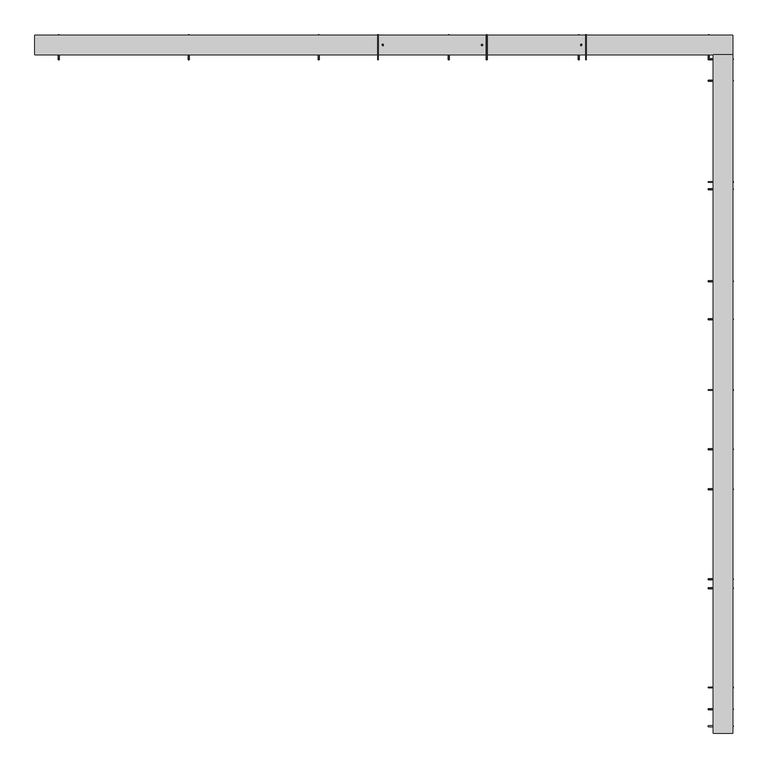
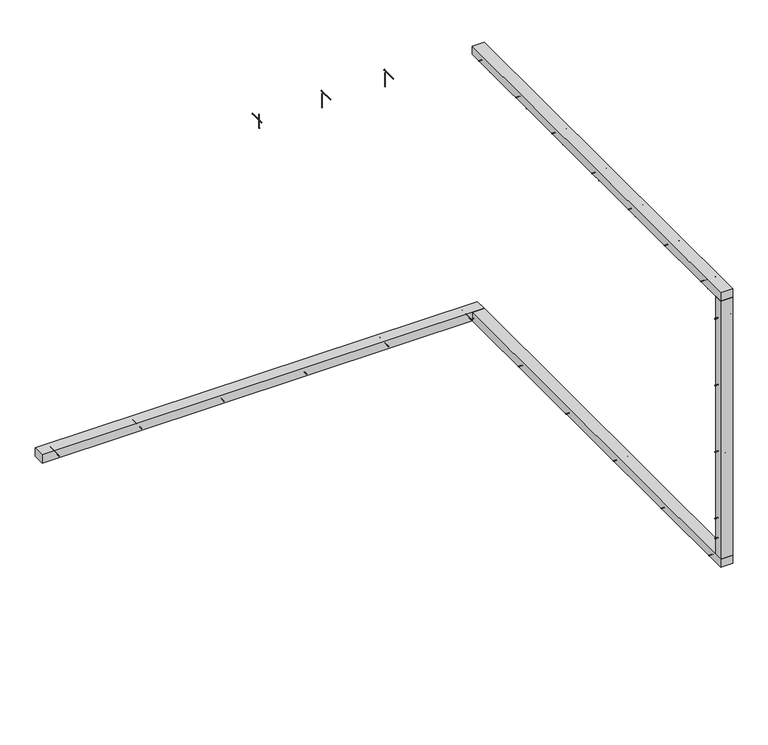
"""IFC4 building model written with IfcOpenShell, lengths in millimetres: proxy geometry."""

from ifc_helpers import new_model, si_unit, point, frame, frame_2d, origin, origin_with_axes, place, context, project, spatial, polyline, circle_curve, trimmed, segment, composite_curve, outline, extrude, source, transform, mapped, element, save


def generic_models_8bec0766(model_context):
    return source(origin(), model_context, "Body", "SweptSolid", [
        extrude(outline(composite_curve([segment(trimmed(circle_curve(frame_2d((-690.0, 42.5)), 2.4700592), [point((-690.0, 44.9700592))], [point((-690.0, 40.0299408))], False, "CARTESIAN"), True, "CONTINUOUS"), segment(trimmed(circle_curve(frame_2d((-690.0, 42.5)), 2.4700592), [point((-690.0, 40.0299408))], [point((-690.0, 44.9700592))], False, "CARTESIAN"), True, "CONTINUOUS")], self_intersect=False)), frame((2220.5, 0.0, 0.0), z_axis=(1.0, 0.0, 0.0), x_axis=(0.0, 1.0, 0.0)), (0.0, 0.0, 1.0), 152.0),
        extrude(outline(composite_curve([segment(trimmed(circle_curve(frame_2d((-690.0, 42.5)), 3.8), [point((-690.0, 46.3))], [point((-690.0, 38.7))], False, "CARTESIAN"), True, "CONTINUOUS"), segment(trimmed(circle_curve(frame_2d((-690.0, 42.5)), 3.8), [point((-690.0, 38.7))], [point((-690.0, 46.3))], False, "CARTESIAN"), True, "CONTINUOUS")], self_intersect=False)), frame((2372.5, 0.0, 0.0), z_axis=(1.0, 0.0, 0.0), x_axis=(0.0, 1.0, 0.0)), (0.0, 0.0, 1.0), 3.0),
        extrude(outline(composite_curve([segment(trimmed(circle_curve(frame_2d((-1505.0, 42.5)), 2.4700592), [point((-1505.0, 44.9700592))], [point((-1505.0, 40.0299408))], False, "CARTESIAN"), True, "CONTINUOUS"), segment(trimmed(circle_curve(frame_2d((-1505.0, 42.5)), 2.4700592), [point((-1505.0, 40.0299408))], [point((-1505.0, 44.9700592))], False, "CARTESIAN"), True, "CONTINUOUS")], self_intersect=False)), frame((2220.5, 0.0, 0.0), z_axis=(1.0, 0.0, 0.0), x_axis=(0.0, 1.0, 0.0)), (0.0, 0.0, 1.0), 152.0),
        extrude(outline(composite_curve([segment(trimmed(circle_curve(frame_2d((-1505.0, 42.5)), 3.8), [point((-1505.0, 46.3))], [point((-1505.0, 38.7))], False, "CARTESIAN"), True, "CONTINUOUS"), segment(trimmed(circle_curve(frame_2d((-1505.0, 42.5)), 3.8), [point((-1505.0, 38.7))], [point((-1505.0, 46.3))], False, "CARTESIAN"), True, "CONTINUOUS")], self_intersect=False)), frame((2372.5, 0.0, 0.0), z_axis=(1.0, 0.0, 0.0), x_axis=(0.0, 1.0, 0.0)), (0.0, 0.0, 1.0), 3.0),
        extrude(outline(composite_curve([segment(trimmed(circle_curve(frame_2d((-2320.0, 42.5)), 2.4700592), [point((-2320.0, 44.9700592))], [point((-2320.0, 40.0299408))], False, "CARTESIAN"), True, "CONTINUOUS"), segment(trimmed(circle_curve(frame_2d((-2320.0, 42.5)), 2.4700592), [point((-2320.0, 40.0299408))], [point((-2320.0, 44.9700592))], False, "CARTESIAN"), True, "CONTINUOUS")], self_intersect=False)), frame((2220.5, 0.0, 0.0), z_axis=(1.0, 0.0, 0.0), x_axis=(0.0, 1.0, 0.0)), (0.0, 0.0, 1.0), 152.0),
        extrude(outline(composite_curve([segment(trimmed(circle_curve(frame_2d((-2320.0, 42.5)), 3.8), [point((-2320.0, 46.3))], [point((-2320.0, 38.7))], False, "CARTESIAN"), True, "CONTINUOUS"), segment(trimmed(circle_curve(frame_2d((-2320.0, 42.5)), 3.8), [point((-2320.0, 38.7))], [point((-2320.0, 46.3))], False, "CARTESIAN"), True, "CONTINUOUS")], self_intersect=False)), frame((2372.5, 0.0, 0.0), z_axis=(1.0, 0.0, 0.0), x_axis=(0.0, 1.0, 0.0)), (0.0, 0.0, 1.0), 3.0),
        extrude(outline(composite_curve([segment(trimmed(circle_curve(frame_2d((-3135.0, 42.5)), 2.4700592), [point((-3135.0, 44.9700592))], [point((-3135.0, 40.0299408))], False, "CARTESIAN"), True, "CONTINUOUS"), segment(trimmed(circle_curve(frame_2d((-3135.0, 42.5)), 2.4700592), [point((-3135.0, 40.0299408))], [point((-3135.0, 44.9700592))], False, "CARTESIAN"), True, "CONTINUOUS")], self_intersect=False)), frame((2220.5, 0.0, 0.0), z_axis=(1.0, 0.0, 0.0), x_axis=(0.0, 1.0, 0.0)), (0.0, 0.0, 1.0), 152.0),
        extrude(outline(composite_curve([segment(trimmed(circle_curve(frame_2d((-3135.0, 42.5)), 3.8), [point((-3135.0, 46.3))], [point((-3135.0, 38.7))], False, "CARTESIAN"), True, "CONTINUOUS"), segment(trimmed(circle_curve(frame_2d((-3135.0, 42.5)), 3.8), [point((-3135.0, 38.7))], [point((-3135.0, 46.3))], False, "CARTESIAN"), True, "CONTINUOUS")], self_intersect=False)), frame((2372.5, 0.0, 0.0), z_axis=(1.0, 0.0, 0.0), x_axis=(0.0, 1.0, 0.0)), (0.0, 0.0, 1.0), 3.0),
        extrude(outline(composite_curve([segment(trimmed(circle_curve(frame_2d((125.0, 42.5)), 2.4700592), [point((125.0, 44.9700592))], [point((125.0, 40.0299408))], False, "CARTESIAN"), True, "CONTINUOUS"), segment(trimmed(circle_curve(frame_2d((125.0, 42.5)), 2.4700592), [point((125.0, 40.0299408))], [point((125.0, 44.9700592))], False, "CARTESIAN"), True, "CONTINUOUS")], self_intersect=False)), frame((2220.5, 0.0, 0.0), z_axis=(1.0, 0.0, 0.0), x_axis=(0.0, 1.0, 0.0)), (0.0, 0.0, 1.0), 152.0),
        extrude(outline(composite_curve([segment(trimmed(circle_curve(frame_2d((125.0, 42.5)), 3.8), [point((125.0, 46.3))], [point((125.0, 38.7))], False, "CARTESIAN"), True, "CONTINUOUS"), segment(trimmed(circle_curve(frame_2d((125.0, 42.5)), 3.8), [point((125.0, 38.7))], [point((125.0, 46.3))], False, "CARTESIAN"), True, "CONTINUOUS")], self_intersect=False)), frame((2372.5, 0.0, 0.0), z_axis=(1.0, 0.0, 0.0), x_axis=(0.0, 1.0, 0.0)), (0.0, 0.0, 1.0), 3.0),
        extrude(outline(composite_curve([segment(trimmed(circle_curve(frame_2d((-3950.0, 42.5)), 2.4700592), [point((-3950.0, 44.9700592))], [point((-3950.0, 40.0299408))], False, "CARTESIAN"), True, "CONTINUOUS"), segment(trimmed(circle_curve(frame_2d((-3950.0, 42.5)), 2.4700592), [point((-3950.0, 40.0299408))], [point((-3950.0, 44.9700592))], False, "CARTESIAN"), True, "CONTINUOUS")], self_intersect=False)), frame((2220.5, 0.0, 0.0), z_axis=(1.0, 0.0, 0.0), x_axis=(0.0, 1.0, 0.0)), (0.0, 0.0, 1.0), 152.0),
        extrude(outline(composite_curve([segment(trimmed(circle_curve(frame_2d((-3950.0, 42.5)), 3.8), [point((-3950.0, 46.3))], [point((-3950.0, 38.7))], False, "CARTESIAN"), True, "CONTINUOUS"), segment(trimmed(circle_curve(frame_2d((-3950.0, 42.5)), 3.8), [point((-3950.0, 38.7))], [point((-3950.0, 46.3))], False, "CARTESIAN"), True, "CONTINUOUS")], self_intersect=False)), frame((2372.5, 0.0, 0.0), z_axis=(1.0, 0.0, 0.0), x_axis=(0.0, 1.0, 0.0)), (0.0, 0.0, 1.0), 3.0),
        extrude(outline(polyline([(2252.5, 155.0), (2372.5, 155.0), (2372.5, -4100.0), (2252.5, -4100.0), (2252.5, 155.0)])), origin_with_axes(), (0.0, 0.0, 1.0), 85.0),
        extrude(outline(composite_curve([segment(trimmed(circle_curve(frame_2d((-1266.3333333, 2827.5)), 2.4700592), [point((-1266.3333333, 2829.9700592))], [point((-1266.3333333, 2825.0299408))], False, "CARTESIAN"), True, "CONTINUOUS"), segment(trimmed(circle_curve(frame_2d((-1266.3333333, 2827.5)), 2.4700592), [point((-1266.3333333, 2825.0299408))], [point((-1266.3333333, 2829.9700592))], False, "CARTESIAN"), True, "CONTINUOUS")], self_intersect=False)), frame((2220.5, 0.0, 0.0), z_axis=(1.0, 0.0, 0.0), x_axis=(0.0, 1.0, 0.0)), (0.0, 0.0, 1.0), 152.0),
        extrude(outline(composite_curve([segment(trimmed(circle_curve(frame_2d((-1266.3333333, 2827.5)), 3.8), [point((-1266.3333333, 2831.3))], [point((-1266.3333333, 2823.7))], False, "CARTESIAN"), True, "CONTINUOUS"), segment(trimmed(circle_curve(frame_2d((-1266.3333333, 2827.5)), 3.8), [point((-1266.3333333, 2823.7))], [point((-1266.3333333, 2831.3))], False, "CARTESIAN"), True, "CONTINUOUS")], self_intersect=False)), frame((2372.5, 0.0, 0.0), z_axis=(1.0, 0.0, 0.0), x_axis=(0.0, 1.0, 0.0)), (0.0, 0.0, 1.0), 3.0),
        extrude(outline(composite_curve([segment(trimmed(circle_curve(frame_2d((2312.5, -1296.3333333)), 2.4700592), [point((2310.0299408, -1296.3333333))], [point((2314.9700592, -1296.3333333))], False, "CARTESIAN"), True, "CONTINUOUS"), segment(trimmed(circle_curve(frame_2d((2312.5, -1296.3333333)), 2.4700592), [point((2314.9700592, -1296.3333333))], [point((2310.0299408, -1296.3333333))], False, "CARTESIAN"), True, "CONTINUOUS")], self_intersect=False)), frame((0.0, 0.0, 2705.0), z_axis=(0.0, 0.0, 1.0), x_axis=(1.0, 0.0, 0.0)), (0.0, 0.0, 1.0), 140.0),
        extrude(outline(composite_curve([segment(trimmed(circle_curve(frame_2d((2312.5, -1296.3333333)), 3.8), [point((2308.7, -1296.3333333))], [point((2316.3, -1296.3333333))], False, "CARTESIAN"), True, "CONTINUOUS"), segment(trimmed(circle_curve(frame_2d((2312.5, -1296.3333333)), 3.8), [point((2316.3, -1296.3333333))], [point((2308.7, -1296.3333333))], False, "CARTESIAN"), True, "CONTINUOUS")], self_intersect=False)), frame((0.0, 0.0, 2702.0), z_axis=(0.0, 0.0, 1.0), x_axis=(1.0, 0.0, 0.0)), (0.0, 0.0, 1.0), 3.0),
        extrude(outline(composite_curve([segment(trimmed(circle_curve(frame_2d((-1948.5, 2827.5)), 2.4700592), [point((-1948.5, 2829.9700592))], [point((-1948.5, 2825.0299408))], False, "CARTESIAN"), True, "CONTINUOUS"), segment(trimmed(circle_curve(frame_2d((-1948.5, 2827.5)), 2.4700592), [point((-1948.5, 2825.0299408))], [point((-1948.5, 2829.9700592))], False, "CARTESIAN"), True, "CONTINUOUS")], self_intersect=False)), frame((2220.5, 0.0, 0.0), z_axis=(1.0, 0.0, 0.0), x_axis=(0.0, 1.0, 0.0)), (0.0, 0.0, 1.0), 152.0),
        extrude(outline(composite_curve([segment(trimmed(circle_curve(frame_2d((-1948.5, 2827.5)), 3.8), [point((-1948.5, 2831.3))], [point((-1948.5, 2823.7))], False, "CARTESIAN"), True, "CONTINUOUS"), segment(trimmed(circle_curve(frame_2d((-1948.5, 2827.5)), 3.8), [point((-1948.5, 2823.7))], [point((-1948.5, 2831.3))], False, "CARTESIAN"), True, "CONTINUOUS")], self_intersect=False)), frame((2372.5, 0.0, 0.0), z_axis=(1.0, 0.0, 0.0), x_axis=(0.0, 1.0, 0.0)), (0.0, 0.0, 1.0), 3.0),
        extrude(outline(composite_curve([segment(trimmed(circle_curve(frame_2d((2312.5, -1918.5)), 2.4700592), [point((2310.0299408, -1918.5))], [point((2314.9700592, -1918.5))], False, "CARTESIAN"), True, "CONTINUOUS"), segment(trimmed(circle_curve(frame_2d((2312.5, -1918.5)), 2.4700592), [point((2314.9700592, -1918.5))], [point((2310.0299408, -1918.5))], False, "CARTESIAN"), True, "CONTINUOUS")], self_intersect=False)), frame((0.0, 0.0, 2705.0), z_axis=(0.0, 0.0, 1.0), x_axis=(1.0, 0.0, 0.0)), (0.0, 0.0, 1.0), 140.0),
        extrude(outline(composite_curve([segment(trimmed(circle_curve(frame_2d((2312.5, -1918.5)), 3.8), [point((2308.7, -1918.5))], [point((2316.3, -1918.5))], False, "CARTESIAN"), True, "CONTINUOUS"), segment(trimmed(circle_curve(frame_2d((2312.5, -1918.5)), 3.8), [point((2316.3, -1918.5))], [point((2308.7, -1918.5))], False, "CARTESIAN"), True, "CONTINUOUS")], self_intersect=False)), frame((0.0, 0.0, 2702.0), z_axis=(0.0, 0.0, 1.0), x_axis=(1.0, 0.0, 0.0)), (0.0, 0.0, 1.0), 3.0),
        extrude(outline(composite_curve([segment(trimmed(circle_curve(frame_2d((-644.1666667, 2827.5)), 2.4700592), [point((-644.1666667, 2829.9700592))], [point((-644.1666667, 2825.0299408))], False, "CARTESIAN"), True, "CONTINUOUS"), segment(trimmed(circle_curve(frame_2d((-644.1666667, 2827.5)), 2.4700592), [point((-644.1666667, 2825.0299408))], [point((-644.1666667, 2829.9700592))], False, "CARTESIAN"), True, "CONTINUOUS")], self_intersect=False)), frame((2220.5, 0.0, 0.0), z_axis=(1.0, 0.0, 0.0), x_axis=(0.0, 1.0, 0.0)), (0.0, 0.0, 1.0), 152.0),
        extrude(outline(composite_curve([segment(trimmed(circle_curve(frame_2d((-644.1666667, 2827.5)), 3.8), [point((-644.1666667, 2831.3))], [point((-644.1666667, 2823.7))], False, "CARTESIAN"), True, "CONTINUOUS"), segment(trimmed(circle_curve(frame_2d((-644.1666667, 2827.5)), 3.8), [point((-644.1666667, 2823.7))], [point((-644.1666667, 2831.3))], False, "CARTESIAN"), True, "CONTINUOUS")], self_intersect=False)), frame((2372.5, 0.0, 0.0), z_axis=(1.0, 0.0, 0.0), x_axis=(0.0, 1.0, 0.0)), (0.0, 0.0, 1.0), 3.0),
        extrude(outline(composite_curve([segment(trimmed(circle_curve(frame_2d((2312.5, -674.1666667)), 2.4700592), [point((2310.0299408, -674.1666667))], [point((2314.9700592, -674.1666667))], False, "CARTESIAN"), True, "CONTINUOUS"), segment(trimmed(circle_curve(frame_2d((2312.5, -674.1666667)), 2.4700592), [point((2314.9700592, -674.1666667))], [point((2310.0299408, -674.1666667))], False, "CARTESIAN"), True, "CONTINUOUS")], self_intersect=False)), frame((0.0, 0.0, 2705.0), z_axis=(0.0, 0.0, 1.0), x_axis=(1.0, 0.0, 0.0)), (0.0, 0.0, 1.0), 140.0),
        extrude(outline(composite_curve([segment(trimmed(circle_curve(frame_2d((2312.5, -674.1666667)), 3.8), [point((2308.7, -674.1666667))], [point((2316.3, -674.1666667))], False, "CARTESIAN"), True, "CONTINUOUS"), segment(trimmed(circle_curve(frame_2d((2312.5, -674.1666667)), 3.8), [point((2316.3, -674.1666667))], [point((2308.7, -674.1666667))], False, "CARTESIAN"), True, "CONTINUOUS")], self_intersect=False)), frame((0.0, 0.0, 2702.0), z_axis=(0.0, 0.0, 1.0), x_axis=(1.0, 0.0, 0.0)), (0.0, 0.0, 1.0), 3.0),
        extrude(outline(composite_curve([segment(trimmed(circle_curve(frame_2d((-2570.6666667, 2827.5)), 2.4700592), [point((-2570.6666667, 2829.9700592))], [point((-2570.6666667, 2825.0299408))], False, "CARTESIAN"), True, "CONTINUOUS"), segment(trimmed(circle_curve(frame_2d((-2570.6666667, 2827.5)), 2.4700592), [point((-2570.6666667, 2825.0299408))], [point((-2570.6666667, 2829.9700592))], False, "CARTESIAN"), True, "CONTINUOUS")], self_intersect=False)), frame((2220.5, 0.0, 0.0), z_axis=(1.0, 0.0, 0.0), x_axis=(0.0, 1.0, 0.0)), (0.0, 0.0, 1.0), 152.0),
        extrude(outline(composite_curve([segment(trimmed(circle_curve(frame_2d((-2570.6666667, 2827.5)), 3.8), [point((-2570.6666667, 2831.3))], [point((-2570.6666667, 2823.7))], False, "CARTESIAN"), True, "CONTINUOUS"), segment(trimmed(circle_curve(frame_2d((-2570.6666667, 2827.5)), 3.8), [point((-2570.6666667, 2823.7))], [point((-2570.6666667, 2831.3))], False, "CARTESIAN"), True, "CONTINUOUS")], self_intersect=False)), frame((2372.5, 0.0, 0.0), z_axis=(1.0, 0.0, 0.0), x_axis=(0.0, 1.0, 0.0)), (0.0, 0.0, 1.0), 3.0),
        extrude(outline(composite_curve([segment(trimmed(circle_curve(frame_2d((2312.5, -2540.6666667)), 2.4700592), [point((2310.0299408, -2540.6666667))], [point((2314.9700592, -2540.6666667))], False, "CARTESIAN"), True, "CONTINUOUS"), segment(trimmed(circle_curve(frame_2d((2312.5, -2540.6666667)), 2.4700592), [point((2314.9700592, -2540.6666667))], [point((2310.0299408, -2540.6666667))], False, "CARTESIAN"), True, "CONTINUOUS")], self_intersect=False)), frame((0.0, 0.0, 2705.0), z_axis=(0.0, 0.0, 1.0), x_axis=(1.0, 0.0, 0.0)), (0.0, 0.0, 1.0), 140.0),
        extrude(outline(composite_curve([segment(trimmed(circle_curve(frame_2d((2312.5, -2540.6666667)), 3.8), [point((2308.7, -2540.6666667))], [point((2316.3, -2540.6666667))], False, "CARTESIAN"), True, "CONTINUOUS"), segment(trimmed(circle_curve(frame_2d((2312.5, -2540.6666667)), 3.8), [point((2316.3, -2540.6666667))], [point((2308.7, -2540.6666667))], False, "CARTESIAN"), True, "CONTINUOUS")], self_intersect=False)), frame((0.0, 0.0, 2702.0), z_axis=(0.0, 0.0, 1.0), x_axis=(1.0, 0.0, 0.0)), (0.0, 0.0, 1.0), 3.0),
        extrude(outline(composite_curve([segment(trimmed(circle_curve(frame_2d((-3192.8333333, 2827.5)), 2.4700592), [point((-3192.8333333, 2829.9700592))], [point((-3192.8333333, 2825.0299408))], False, "CARTESIAN"), True, "CONTINUOUS"), segment(trimmed(circle_curve(frame_2d((-3192.8333333, 2827.5)), 2.4700592), [point((-3192.8333333, 2825.0299408))], [point((-3192.8333333, 2829.9700592))], False, "CARTESIAN"), True, "CONTINUOUS")], self_intersect=False)), frame((2220.5, 0.0, 0.0), z_axis=(1.0, 0.0, 0.0), x_axis=(0.0, 1.0, 0.0)), (0.0, 0.0, 1.0), 152.0),
        extrude(outline(composite_curve([segment(trimmed(circle_curve(frame_2d((-3192.8333333, 2827.5)), 3.8), [point((-3192.8333333, 2831.3))], [point((-3192.8333333, 2823.7))], False, "CARTESIAN"), True, "CONTINUOUS"), segment(trimmed(circle_curve(frame_2d((-3192.8333333, 2827.5)), 3.8), [point((-3192.8333333, 2823.7))], [point((-3192.8333333, 2831.3))], False, "CARTESIAN"), True, "CONTINUOUS")], self_intersect=False)), frame((2372.5, 0.0, 0.0), z_axis=(1.0, 0.0, 0.0), x_axis=(0.0, 1.0, 0.0)), (0.0, 0.0, 1.0), 3.0),
        extrude(outline(composite_curve([segment(trimmed(circle_curve(frame_2d((2312.5, -3162.8333333)), 2.4700592), [point((2310.0299408, -3162.8333333))], [point((2314.9700592, -3162.8333333))], False, "CARTESIAN"), True, "CONTINUOUS"), segment(trimmed(circle_curve(frame_2d((2312.5, -3162.8333333)), 2.4700592), [point((2314.9700592, -3162.8333333))], [point((2310.0299408, -3162.8333333))], False, "CARTESIAN"), True, "CONTINUOUS")], self_intersect=False)), frame((0.0, 0.0, 2705.0), z_axis=(0.0, 0.0, 1.0), x_axis=(1.0, 0.0, 0.0)), (0.0, 0.0, 1.0), 140.0),
        extrude(outline(composite_curve([segment(trimmed(circle_curve(frame_2d((2312.5, -3162.8333333)), 3.8), [point((2308.7, -3162.8333333))], [point((2316.3, -3162.8333333))], False, "CARTESIAN"), True, "CONTINUOUS"), segment(trimmed(circle_curve(frame_2d((2312.5, -3162.8333333)), 3.8), [point((2316.3, -3162.8333333))], [point((2308.7, -3162.8333333))], False, "CARTESIAN"), True, "CONTINUOUS")], self_intersect=False)), frame((0.0, 0.0, 2702.0), z_axis=(0.0, 0.0, 1.0), x_axis=(1.0, 0.0, 0.0)), (0.0, 0.0, 1.0), 3.0),
        extrude(outline(composite_curve([segment(trimmed(circle_curve(frame_2d((2312.5, -52.0)), 2.4700592), [point((2310.0299408, -52.0))], [point((2314.9700592, -52.0))], False, "CARTESIAN"), True, "CONTINUOUS"), segment(trimmed(circle_curve(frame_2d((2312.5, -52.0)), 2.4700592), [point((2314.9700592, -52.0))], [point((2310.0299408, -52.0))], False, "CARTESIAN"), True, "CONTINUOUS")], self_intersect=False)), frame((0.0, 0.0, 2705.0), z_axis=(0.0, 0.0, 1.0), x_axis=(1.0, 0.0, 0.0)), (0.0, 0.0, 1.0), 140.0),
        extrude(outline(composite_curve([segment(trimmed(circle_curve(frame_2d((2312.5, -52.0)), 3.8), [point((2308.7, -52.0))], [point((2316.3, -52.0))], False, "CARTESIAN"), True, "CONTINUOUS"), segment(trimmed(circle_curve(frame_2d((2312.5, -52.0)), 3.8), [point((2316.3, -52.0))], [point((2308.7, -52.0))], False, "CARTESIAN"), True, "CONTINUOUS")], self_intersect=False)), frame((0.0, 0.0, 2702.0), z_axis=(0.0, 0.0, 1.0), x_axis=(1.0, 0.0, 0.0)), (0.0, 0.0, 1.0), 3.0),
        extrude(outline(composite_curve([segment(trimmed(circle_curve(frame_2d((2312.5, -3785.0)), 2.4700592), [point((2310.0299408, -3785.0))], [point((2314.9700592, -3785.0))], False, "CARTESIAN"), True, "CONTINUOUS"), segment(trimmed(circle_curve(frame_2d((2312.5, -3785.0)), 2.4700592), [point((2314.9700592, -3785.0))], [point((2310.0299408, -3785.0))], False, "CARTESIAN"), True, "CONTINUOUS")], self_intersect=False)), frame((0.0, 0.0, 2705.0), z_axis=(0.0, 0.0, 1.0), x_axis=(1.0, 0.0, 0.0)), (0.0, 0.0, 1.0), 140.0),
        extrude(outline(composite_curve([segment(trimmed(circle_curve(frame_2d((2312.5, -3785.0)), 3.8), [point((2308.7, -3785.0))], [point((2316.3, -3785.0))], False, "CARTESIAN"), True, "CONTINUOUS"), segment(trimmed(circle_curve(frame_2d((2312.5, -3785.0)), 3.8), [point((2316.3, -3785.0))], [point((2308.7, -3785.0))], False, "CARTESIAN"), True, "CONTINUOUS")], self_intersect=False)), frame((0.0, 0.0, 2702.0), z_axis=(0.0, 0.0, 1.0), x_axis=(1.0, 0.0, 0.0)), (0.0, 0.0, 1.0), 3.0),
        extrude(outline(composite_curve([segment(trimmed(circle_curve(frame_2d((-3815.0, 2827.5)), 2.4700592), [point((-3815.0, 2829.9700592))], [point((-3815.0, 2825.0299408))], False, "CARTESIAN"), True, "CONTINUOUS"), segment(trimmed(circle_curve(frame_2d((-3815.0, 2827.5)), 2.4700592), [point((-3815.0, 2825.0299408))], [point((-3815.0, 2829.9700592))], False, "CARTESIAN"), True, "CONTINUOUS")], self_intersect=False)), frame((2220.5, 0.0, 0.0), z_axis=(1.0, 0.0, 0.0), x_axis=(0.0, 1.0, 0.0)), (0.0, 0.0, 1.0), 152.0),
        extrude(outline(composite_curve([segment(trimmed(circle_curve(frame_2d((-3815.0, 2827.5)), 3.8), [point((-3815.0, 2831.3))], [point((-3815.0, 2823.7))], False, "CARTESIAN"), True, "CONTINUOUS"), segment(trimmed(circle_curve(frame_2d((-3815.0, 2827.5)), 3.8), [point((-3815.0, 2823.7))], [point((-3815.0, 2831.3))], False, "CARTESIAN"), True, "CONTINUOUS")], self_intersect=False)), frame((2372.5, 0.0, 0.0), z_axis=(1.0, 0.0, 0.0), x_axis=(0.0, 1.0, 0.0)), (0.0, 0.0, 1.0), 3.0),
        extrude(outline(composite_curve([segment(trimmed(circle_curve(frame_2d((-10.0, 2827.5)), 2.4700592), [point((-10.0, 2829.9700592))], [point((-10.0, 2825.0299408))], False, "CARTESIAN"), True, "CONTINUOUS"), segment(trimmed(circle_curve(frame_2d((-10.0, 2827.5)), 2.4700592), [point((-10.0, 2825.0299408))], [point((-10.0, 2829.9700592))], False, "CARTESIAN"), True, "CONTINUOUS")], self_intersect=False)), frame((2220.5, 0.0, 0.0), z_axis=(1.0, 0.0, 0.0), x_axis=(0.0, 1.0, 0.0)), (0.0, 0.0, 1.0), 152.0),
        extrude(outline(composite_curve([segment(trimmed(circle_curve(frame_2d((-10.0, 2827.5)), 3.8), [point((-10.0, 2831.3))], [point((-10.0, 2823.7))], False, "CARTESIAN"), True, "CONTINUOUS"), segment(trimmed(circle_curve(frame_2d((-10.0, 2827.5)), 3.8), [point((-10.0, 2823.7))], [point((-10.0, 2831.3))], False, "CARTESIAN"), True, "CONTINUOUS")], self_intersect=False)), frame((2372.5, 0.0, 0.0), z_axis=(1.0, 0.0, 0.0), x_axis=(0.0, 1.0, 0.0)), (0.0, 0.0, 1.0), 3.0),
        extrude(outline(polyline([(2252.5, 155.0), (2372.5, 155.0), (2372.5, -4100.0), (2252.5, -4100.0), (2252.5, 155.0)])), frame((0.0, 0.0, 2785.0), z_axis=(0.0, 0.0, 1.0), x_axis=(1.0, 0.0, 0.0)), (0.0, 0.0, 1.0), 85.0),
        extrude(outline(composite_curve([segment(trimmed(circle_curve(frame_2d((-4057.5, 495.0)), 2.4700592), [point((-4059.9700592, 495.0))], [point((-4055.0299408, 495.0))], False, "CARTESIAN"), True, "CONTINUOUS"), segment(trimmed(circle_curve(frame_2d((-4057.5, 495.0)), 2.4700592), [point((-4055.0299408, 495.0))], [point((-4059.9700592, 495.0))], False, "CARTESIAN"), True, "CONTINUOUS")], self_intersect=False)), frame((2220.5, 0.0, 0.0), z_axis=(1.0, 0.0, 0.0), x_axis=(0.0, 1.0, 0.0)), (0.0, 0.0, 1.0), 152.0),
        extrude(outline(composite_curve([segment(trimmed(circle_curve(frame_2d((-4057.5, 495.0)), 3.8), [point((-4061.3, 495.0))], [point((-4053.7, 495.0))], False, "CARTESIAN"), True, "CONTINUOUS"), segment(trimmed(circle_curve(frame_2d((-4057.5, 495.0)), 3.8), [point((-4053.7, 495.0))], [point((-4061.3, 495.0))], False, "CARTESIAN"), True, "CONTINUOUS")], self_intersect=False)), frame((2372.5, 0.0, 0.0), z_axis=(1.0, 0.0, 0.0), x_axis=(0.0, 1.0, 0.0)), (0.0, 0.0, 1.0), 3.0),
        extrude(outline(composite_curve([segment(trimmed(circle_curve(frame_2d((-4057.5, 1191.6666667)), 2.4700592), [point((-4059.9700592, 1191.6666667))], [point((-4055.0299408, 1191.6666667))], False, "CARTESIAN"), True, "CONTINUOUS"), segment(trimmed(circle_curve(frame_2d((-4057.5, 1191.6666667)), 2.4700592), [point((-4055.0299408, 1191.6666667))], [point((-4059.9700592, 1191.6666667))], False, "CARTESIAN"), True, "CONTINUOUS")], self_intersect=False)), frame((2220.5, 0.0, 0.0), z_axis=(1.0, 0.0, 0.0), x_axis=(0.0, 1.0, 0.0)), (0.0, 0.0, 1.0), 152.0),
        extrude(outline(composite_curve([segment(trimmed(circle_curve(frame_2d((-4057.5, 1191.6666667)), 3.8), [point((-4061.3, 1191.6666667))], [point((-4053.7, 1191.6666667))], False, "CARTESIAN"), True, "CONTINUOUS"), segment(trimmed(circle_curve(frame_2d((-4057.5, 1191.6666667)), 3.8), [point((-4053.7, 1191.6666667))], [point((-4061.3, 1191.6666667))], False, "CARTESIAN"), True, "CONTINUOUS")], self_intersect=False)), frame((2372.5, 0.0, 0.0), z_axis=(1.0, 0.0, 0.0), x_axis=(0.0, 1.0, 0.0)), (0.0, 0.0, 1.0), 3.0),
        extrude(outline(composite_curve([segment(trimmed(circle_curve(frame_2d((1161.6666667, 2312.5)), 2.4700592), [point((1161.6666667, 2310.0299408))], [point((1161.6666667, 2314.9700592))], False, "CARTESIAN"), True, "CONTINUOUS"), segment(trimmed(circle_curve(frame_2d((1161.6666667, 2312.5)), 2.4700592), [point((1161.6666667, 2314.9700592))], [point((1161.6666667, 2310.0299408))], False, "CARTESIAN"), True, "CONTINUOUS")], self_intersect=False)), frame((0.0, -4075.0, 0.0), z_axis=(0.0, 1.0, 0.0), x_axis=(0.0, 0.0, 1.0)), (0.0, 0.0, 1.0), 140.0),
        extrude(outline(composite_curve([segment(trimmed(circle_curve(frame_2d((1161.6666667, 2312.5)), 3.8), [point((1161.6666667, 2308.7))], [point((1161.6666667, 2316.3))], False, "CARTESIAN"), True, "CONTINUOUS"), segment(trimmed(circle_curve(frame_2d((1161.6666667, 2312.5)), 3.8), [point((1161.6666667, 2316.3))], [point((1161.6666667, 2308.7))], False, "CARTESIAN"), True, "CONTINUOUS")], self_intersect=False)), frame((0.0, -3935.0, 0.0), z_axis=(0.0, 1.0, 0.0), x_axis=(0.0, 0.0, 1.0)), (0.0, 0.0, 1.0), 3.0),
        extrude(outline(composite_curve([segment(trimmed(circle_curve(frame_2d((-4057.5, 1888.3333333)), 2.4700592), [point((-4059.9700592, 1888.3333333))], [point((-4055.0299408, 1888.3333333))], False, "CARTESIAN"), True, "CONTINUOUS"), segment(trimmed(circle_curve(frame_2d((-4057.5, 1888.3333333)), 2.4700592), [point((-4055.0299408, 1888.3333333))], [point((-4059.9700592, 1888.3333333))], False, "CARTESIAN"), True, "CONTINUOUS")], self_intersect=False)), frame((2220.5, 0.0, 0.0), z_axis=(1.0, 0.0, 0.0), x_axis=(0.0, 1.0, 0.0)), (0.0, 0.0, 1.0), 152.0),
        extrude(outline(composite_curve([segment(trimmed(circle_curve(frame_2d((-4057.5, 1888.3333333)), 3.8), [point((-4061.3, 1888.3333333))], [point((-4053.7, 1888.3333333))], False, "CARTESIAN"), True, "CONTINUOUS"), segment(trimmed(circle_curve(frame_2d((-4057.5, 1888.3333333)), 3.8), [point((-4053.7, 1888.3333333))], [point((-4061.3, 1888.3333333))], False, "CARTESIAN"), True, "CONTINUOUS")], self_intersect=False)), frame((2372.5, 0.0, 0.0), z_axis=(1.0, 0.0, 0.0), x_axis=(0.0, 1.0, 0.0)), (0.0, 0.0, 1.0), 3.0),
        extrude(outline(composite_curve([segment(trimmed(circle_curve(frame_2d((1858.3333333, 2312.5)), 2.4700592), [point((1858.3333333, 2310.0299408))], [point((1858.3333333, 2314.9700592))], False, "CARTESIAN"), True, "CONTINUOUS"), segment(trimmed(circle_curve(frame_2d((1858.3333333, 2312.5)), 2.4700592), [point((1858.3333333, 2314.9700592))], [point((1858.3333333, 2310.0299408))], False, "CARTESIAN"), True, "CONTINUOUS")], self_intersect=False)), frame((0.0, -4075.0, 0.0), z_axis=(0.0, 1.0, 0.0), x_axis=(0.0, 0.0, 1.0)), (0.0, 0.0, 1.0), 140.0),
        extrude(outline(composite_curve([segment(trimmed(circle_curve(frame_2d((1858.3333333, 2312.5)), 3.8), [point((1858.3333333, 2308.7))], [point((1858.3333333, 2316.3))], False, "CARTESIAN"), True, "CONTINUOUS"), segment(trimmed(circle_curve(frame_2d((1858.3333333, 2312.5)), 3.8), [point((1858.3333333, 2316.3))], [point((1858.3333333, 2308.7))], False, "CARTESIAN"), True, "CONTINUOUS")], self_intersect=False)), frame((0.0, -3935.0, 0.0), z_axis=(0.0, 1.0, 0.0), x_axis=(0.0, 0.0, 1.0)), (0.0, 0.0, 1.0), 3.0),
        extrude(outline(composite_curve([segment(trimmed(circle_curve(frame_2d((465.0, 2312.5)), 2.4700592), [point((465.0, 2310.0299408))], [point((465.0, 2314.9700592))], False, "CARTESIAN"), True, "CONTINUOUS"), segment(trimmed(circle_curve(frame_2d((465.0, 2312.5)), 2.4700592), [point((465.0, 2314.9700592))], [point((465.0, 2310.0299408))], False, "CARTESIAN"), True, "CONTINUOUS")], self_intersect=False)), frame((0.0, -4075.0, 0.0), z_axis=(0.0, 1.0, 0.0), x_axis=(0.0, 0.0, 1.0)), (0.0, 0.0, 1.0), 140.0),
        extrude(outline(composite_curve([segment(trimmed(circle_curve(frame_2d((465.0, 2312.5)), 3.8), [point((465.0, 2308.7))], [point((465.0, 2316.3))], False, "CARTESIAN"), True, "CONTINUOUS"), segment(trimmed(circle_curve(frame_2d((465.0, 2312.5)), 3.8), [point((465.0, 2316.3))], [point((465.0, 2308.7))], False, "CARTESIAN"), True, "CONTINUOUS")], self_intersect=False)), frame((0.0, -3935.0, 0.0), z_axis=(0.0, 1.0, 0.0), x_axis=(0.0, 0.0, 1.0)), (0.0, 0.0, 1.0), 3.0),
        extrude(outline(composite_curve([segment(trimmed(circle_curve(frame_2d((2555.0, 2312.5)), 2.4700592), [point((2555.0, 2310.0299408))], [point((2555.0, 2314.9700592))], False, "CARTESIAN"), True, "CONTINUOUS"), segment(trimmed(circle_curve(frame_2d((2555.0, 2312.5)), 2.4700592), [point((2555.0, 2314.9700592))], [point((2555.0, 2310.0299408))], False, "CARTESIAN"), True, "CONTINUOUS")], self_intersect=False)), frame((0.0, -4075.0, 0.0), z_axis=(0.0, 1.0, 0.0), x_axis=(0.0, 0.0, 1.0)), (0.0, 0.0, 1.0), 140.0),
        extrude(outline(composite_curve([segment(trimmed(circle_curve(frame_2d((2555.0, 2312.5)), 3.8), [point((2555.0, 2308.7))], [point((2555.0, 2316.3))], False, "CARTESIAN"), True, "CONTINUOUS"), segment(trimmed(circle_curve(frame_2d((2555.0, 2312.5)), 3.8), [point((2555.0, 2316.3))], [point((2555.0, 2308.7))], False, "CARTESIAN"), True, "CONTINUOUS")], self_intersect=False)), frame((0.0, -3935.0, 0.0), z_axis=(0.0, 1.0, 0.0), x_axis=(0.0, 0.0, 1.0)), (0.0, 0.0, 1.0), 3.0),
        extrude(outline(composite_curve([segment(trimmed(circle_curve(frame_2d((-4057.5, 2585.0)), 2.4700592), [point((-4059.9700592, 2585.0))], [point((-4055.0299408, 2585.0))], False, "CARTESIAN"), True, "CONTINUOUS"), segment(trimmed(circle_curve(frame_2d((-4057.5, 2585.0)), 2.4700592), [point((-4055.0299408, 2585.0))], [point((-4059.9700592, 2585.0))], False, "CARTESIAN"), True, "CONTINUOUS")], self_intersect=False)), frame((2220.5, 0.0, 0.0), z_axis=(1.0, 0.0, 0.0), x_axis=(0.0, 1.0, 0.0)), (0.0, 0.0, 1.0), 152.0),
        extrude(outline(composite_curve([segment(trimmed(circle_curve(frame_2d((-4057.5, 2585.0)), 3.8), [point((-4061.3, 2585.0))], [point((-4053.7, 2585.0))], False, "CARTESIAN"), True, "CONTINUOUS"), segment(trimmed(circle_curve(frame_2d((-4057.5, 2585.0)), 3.8), [point((-4053.7, 2585.0))], [point((-4061.3, 2585.0))], False, "CARTESIAN"), True, "CONTINUOUS")], self_intersect=False)), frame((2372.5, 0.0, 0.0), z_axis=(1.0, 0.0, 0.0), x_axis=(0.0, 1.0, 0.0)), (0.0, 0.0, 1.0), 3.0),
        extrude(outline(composite_curve([segment(trimmed(circle_curve(frame_2d((-4057.5, 285.0)), 2.4700592), [point((-4059.9700592, 285.0))], [point((-4055.0299408, 285.0))], False, "CARTESIAN"), True, "CONTINUOUS"), segment(trimmed(circle_curve(frame_2d((-4057.5, 285.0)), 2.4700592), [point((-4055.0299408, 285.0))], [point((-4059.9700592, 285.0))], False, "CARTESIAN"), True, "CONTINUOUS")], self_intersect=False)), frame((2220.5, 0.0, 0.0), z_axis=(1.0, 0.0, 0.0), x_axis=(0.0, 1.0, 0.0)), (0.0, 0.0, 1.0), 152.0),
        extrude(outline(composite_curve([segment(trimmed(circle_curve(frame_2d((-4057.5, 285.0)), 3.8), [point((-4061.3, 285.0))], [point((-4053.7, 285.0))], False, "CARTESIAN"), True, "CONTINUOUS"), segment(trimmed(circle_curve(frame_2d((-4057.5, 285.0)), 3.8), [point((-4053.7, 285.0))], [point((-4061.3, 285.0))], False, "CARTESIAN"), True, "CONTINUOUS")], self_intersect=False)), frame((2372.5, 0.0, 0.0), z_axis=(1.0, 0.0, 0.0), x_axis=(0.0, 1.0, 0.0)), (0.0, 0.0, 1.0), 3.0),
        extrude(outline(polyline([(2252.5, -4100.0), (2252.5, -4015.0), (2372.5, -4015.0), (2372.5, -4100.0), (2252.5, -4100.0)])), frame((0.0, 0.0, 85.0), z_axis=(0.0, 0.0, 1.0), x_axis=(1.0, 0.0, 0.0)), (0.0, 0.0, 1.0), 2700.0),
        extrude(outline(composite_curve([segment(trimmed(circle_curve(frame_2d((42.5, 1407.5)), 2.4700592), [point((44.9700592, 1407.5))], [point((40.0299408, 1407.5))], False, "CARTESIAN"), True, "CONTINUOUS"), segment(trimmed(circle_curve(frame_2d((42.5, 1407.5)), 2.4700592), [point((40.0299408, 1407.5))], [point((44.9700592, 1407.5))], False, "CARTESIAN"), True, "CONTINUOUS")], self_intersect=False)), frame((0.0, 123.0, 0.0), z_axis=(0.0, 1.0, 0.0), x_axis=(0.0, 0.0, 1.0)), (0.0, 0.0, 1.0), 152.0),
        extrude(outline(composite_curve([segment(trimmed(circle_curve(frame_2d((42.5, 1407.5)), 3.8), [point((46.3, 1407.5))], [point((38.7, 1407.5))], False, "CARTESIAN"), True, "CONTINUOUS"), segment(trimmed(circle_curve(frame_2d((42.5, 1407.5)), 3.8), [point((38.7, 1407.5))], [point((46.3, 1407.5))], False, "CARTESIAN"), True, "CONTINUOUS")], self_intersect=False)), frame((0.0, 275.0, 0.0), z_axis=(0.0, 1.0, 0.0), x_axis=(0.0, 0.0, 1.0)), (0.0, 0.0, 1.0), 3.0),
        extrude(outline(composite_curve([segment(trimmed(circle_curve(frame_2d((42.5, 592.5)), 2.4700592), [point((44.9700592, 592.5))], [point((40.0299408, 592.5))], False, "CARTESIAN"), True, "CONTINUOUS"), segment(trimmed(circle_curve(frame_2d((42.5, 592.5)), 2.4700592), [point((40.0299408, 592.5))], [point((44.9700592, 592.5))], False, "CARTESIAN"), True, "CONTINUOUS")], self_intersect=False)), frame((0.0, 123.0, 0.0), z_axis=(0.0, 1.0, 0.0), x_axis=(0.0, 0.0, 1.0)), (0.0, 0.0, 1.0), 152.0),
        extrude(outline(composite_curve([segment(trimmed(circle_curve(frame_2d((42.5, 592.5)), 3.8), [point((46.3, 592.5))], [point((38.7, 592.5))], False, "CARTESIAN"), True, "CONTINUOUS"), segment(trimmed(circle_curve(frame_2d((42.5, 592.5)), 3.8), [point((38.7, 592.5))], [point((46.3, 592.5))], False, "CARTESIAN"), True, "CONTINUOUS")], self_intersect=False)), frame((0.0, 275.0, 0.0), z_axis=(0.0, 1.0, 0.0), x_axis=(0.0, 0.0, 1.0)), (0.0, 0.0, 1.0), 3.0),
        extrude(outline(composite_curve([segment(trimmed(circle_curve(frame_2d((42.5, -222.5)), 2.4700592), [point((44.9700592, -222.5))], [point((40.0299408, -222.5))], False, "CARTESIAN"), True, "CONTINUOUS"), segment(trimmed(circle_curve(frame_2d((42.5, -222.5)), 2.4700592), [point((40.0299408, -222.5))], [point((44.9700592, -222.5))], False, "CARTESIAN"), True, "CONTINUOUS")], self_intersect=False)), frame((0.0, 123.0, 0.0), z_axis=(0.0, 1.0, 0.0), x_axis=(0.0, 0.0, 1.0)), (0.0, 0.0, 1.0), 152.0),
        extrude(outline(composite_curve([segment(trimmed(circle_curve(frame_2d((42.5, -222.5)), 3.8), [point((46.3, -222.5))], [point((38.7, -222.5))], False, "CARTESIAN"), True, "CONTINUOUS"), segment(trimmed(circle_curve(frame_2d((42.5, -222.5)), 3.8), [point((38.7, -222.5))], [point((46.3, -222.5))], False, "CARTESIAN"), True, "CONTINUOUS")], self_intersect=False)), frame((0.0, 275.0, 0.0), z_axis=(0.0, 1.0, 0.0), x_axis=(0.0, 0.0, 1.0)), (0.0, 0.0, 1.0), 3.0),
        extrude(outline(composite_curve([segment(trimmed(circle_curve(frame_2d((42.5, -1037.5)), 2.4700592), [point((44.9700592, -1037.5))], [point((40.0299408, -1037.5))], False, "CARTESIAN"), True, "CONTINUOUS"), segment(trimmed(circle_curve(frame_2d((42.5, -1037.5)), 2.4700592), [point((40.0299408, -1037.5))], [point((44.9700592, -1037.5))], False, "CARTESIAN"), True, "CONTINUOUS")], self_intersect=False)), frame((0.0, 123.0, 0.0), z_axis=(0.0, 1.0, 0.0), x_axis=(0.0, 0.0, 1.0)), (0.0, 0.0, 1.0), 152.0),
        extrude(outline(composite_curve([segment(trimmed(circle_curve(frame_2d((42.5, -1037.5)), 3.8), [point((46.3, -1037.5))], [point((38.7, -1037.5))], False, "CARTESIAN"), True, "CONTINUOUS"), segment(trimmed(circle_curve(frame_2d((42.5, -1037.5)), 3.8), [point((38.7, -1037.5))], [point((46.3, -1037.5))], False, "CARTESIAN"), True, "CONTINUOUS")], self_intersect=False)), frame((0.0, 275.0, 0.0), z_axis=(0.0, 1.0, 0.0), x_axis=(0.0, 0.0, 1.0)), (0.0, 0.0, 1.0), 3.0),
        extrude(outline(composite_curve([segment(trimmed(circle_curve(frame_2d((42.5, 2222.5)), 2.4700592), [point((44.9700592, 2222.5))], [point((40.0299408, 2222.5))], False, "CARTESIAN"), True, "CONTINUOUS"), segment(trimmed(circle_curve(frame_2d((42.5, 2222.5)), 2.4700592), [point((40.0299408, 2222.5))], [point((44.9700592, 2222.5))], False, "CARTESIAN"), True, "CONTINUOUS")], self_intersect=False)), frame((0.0, 123.0, 0.0), z_axis=(0.0, 1.0, 0.0), x_axis=(0.0, 0.0, 1.0)), (0.0, 0.0, 1.0), 152.0),
        extrude(outline(composite_curve([segment(trimmed(circle_curve(frame_2d((42.5, 2222.5)), 3.8), [point((46.3, 2222.5))], [point((38.7, 2222.5))], False, "CARTESIAN"), True, "CONTINUOUS"), segment(trimmed(circle_curve(frame_2d((42.5, 2222.5)), 3.8), [point((38.7, 2222.5))], [point((46.3, 2222.5))], False, "CARTESIAN"), True, "CONTINUOUS")], self_intersect=False)), frame((0.0, 275.0, 0.0), z_axis=(0.0, 1.0, 0.0), x_axis=(0.0, 0.0, 1.0)), (0.0, 0.0, 1.0), 3.0),
        extrude(outline(composite_curve([segment(trimmed(circle_curve(frame_2d((42.5, -1852.5)), 2.4700592), [point((44.9700592, -1852.5))], [point((40.0299408, -1852.5))], False, "CARTESIAN"), True, "CONTINUOUS"), segment(trimmed(circle_curve(frame_2d((42.5, -1852.5)), 2.4700592), [point((40.0299408, -1852.5))], [point((44.9700592, -1852.5))], False, "CARTESIAN"), True, "CONTINUOUS")], self_intersect=False)), frame((0.0, 123.0, 0.0), z_axis=(0.0, 1.0, 0.0), x_axis=(0.0, 0.0, 1.0)), (0.0, 0.0, 1.0), 152.0),
        extrude(outline(composite_curve([segment(trimmed(circle_curve(frame_2d((42.5, -1852.5)), 3.8), [point((46.3, -1852.5))], [point((38.7, -1852.5))], False, "CARTESIAN"), True, "CONTINUOUS"), segment(trimmed(circle_curve(frame_2d((42.5, -1852.5)), 3.8), [point((38.7, -1852.5))], [point((46.3, -1852.5))], False, "CARTESIAN"), True, "CONTINUOUS")], self_intersect=False)), frame((0.0, 275.0, 0.0), z_axis=(0.0, 1.0, 0.0), x_axis=(0.0, 0.0, 1.0)), (0.0, 0.0, 1.0), 3.0),
        extrude(outline(polyline([(2372.5, 155.0), (-2002.5, 155.0), (-2002.5, 275.0), (2372.5, 275.0), (2372.5, 155.0)])), origin_with_axes(), (0.0, 0.0, 1.0), 85.0),
        extrude(outline(composite_curve([segment(trimmed(circle_curve(frame_2d((2827.5, 831.1666667)), 2.4700592), [point((2829.9700592, 831.1666667))], [point((2825.0299408, 831.1666667))], False, "CARTESIAN"), True, "CONTINUOUS"), segment(trimmed(circle_curve(frame_2d((2827.5, 831.1666667)), 2.4700592), [point((2825.0299408, 831.1666667))], [point((2829.9700592, 831.1666667))], False, "CARTESIAN"), True, "CONTINUOUS")], self_intersect=False)), frame((0.0, 123.0, 0.0), z_axis=(0.0, 1.0, 0.0), x_axis=(0.0, 0.0, 1.0)), (0.0, 0.0, 1.0), 152.0),
        extrude(outline(composite_curve([segment(trimmed(circle_curve(frame_2d((2827.5, 831.1666667)), 3.8), [point((2831.3, 831.1666667))], [point((2823.7, 831.1666667))], False, "CARTESIAN"), True, "CONTINUOUS"), segment(trimmed(circle_curve(frame_2d((2827.5, 831.1666667)), 3.8), [point((2823.7, 831.1666667))], [point((2831.3, 831.1666667))], False, "CARTESIAN"), True, "CONTINUOUS")], self_intersect=False)), frame((0.0, 275.0, 0.0), z_axis=(0.0, 1.0, 0.0), x_axis=(0.0, 0.0, 1.0)), (0.0, 0.0, 1.0), 3.0),
        extrude(outline(composite_curve([segment(trimmed(circle_curve(frame_2d((801.1666667, 215.0)), 2.4700592), [point((801.1666667, 212.5299408))], [point((801.1666667, 217.4700592))], False, "CARTESIAN"), True, "CONTINUOUS"), segment(trimmed(circle_curve(frame_2d((801.1666667, 215.0)), 2.4700592), [point((801.1666667, 217.4700592))], [point((801.1666667, 212.5299408))], False, "CARTESIAN"), True, "CONTINUOUS")], self_intersect=False)), frame((0.0, 0.0, 2705.0), z_axis=(0.0, 0.0, 1.0), x_axis=(1.0, 0.0, 0.0)), (0.0, 0.0, 1.0), 140.0),
        extrude(outline(composite_curve([segment(trimmed(circle_curve(frame_2d((801.1666667, 215.0)), 3.8), [point((801.1666667, 211.2))], [point((801.1666667, 218.8))], False, "CARTESIAN"), True, "CONTINUOUS"), segment(trimmed(circle_curve(frame_2d((801.1666667, 215.0)), 3.8), [point((801.1666667, 218.8))], [point((801.1666667, 211.2))], False, "CARTESIAN"), True, "CONTINUOUS")], self_intersect=False)), frame((0.0, 0.0, 2702.0), z_axis=(0.0, 0.0, 1.0), x_axis=(1.0, 0.0, 0.0)), (0.0, 0.0, 1.0), 3.0),
        extrude(outline(composite_curve([segment(trimmed(circle_curve(frame_2d((2827.5, 149.0)), 2.4700592), [point((2829.9700592, 149.0))], [point((2825.0299408, 149.0))], False, "CARTESIAN"), True, "CONTINUOUS"), segment(trimmed(circle_curve(frame_2d((2827.5, 149.0)), 2.4700592), [point((2825.0299408, 149.0))], [point((2829.9700592, 149.0))], False, "CARTESIAN"), True, "CONTINUOUS")], self_intersect=False)), frame((0.0, 123.0, 0.0), z_axis=(0.0, 1.0, 0.0), x_axis=(0.0, 0.0, 1.0)), (0.0, 0.0, 1.0), 152.0),
        extrude(outline(composite_curve([segment(trimmed(circle_curve(frame_2d((2827.5, 149.0)), 3.8), [point((2831.3, 149.0))], [point((2823.7, 149.0))], False, "CARTESIAN"), True, "CONTINUOUS"), segment(trimmed(circle_curve(frame_2d((2827.5, 149.0)), 3.8), [point((2823.7, 149.0))], [point((2831.3, 149.0))], False, "CARTESIAN"), True, "CONTINUOUS")], self_intersect=False)), frame((0.0, 275.0, 0.0), z_axis=(0.0, 1.0, 0.0), x_axis=(0.0, 0.0, 1.0)), (0.0, 0.0, 1.0), 3.0),
        extrude(outline(composite_curve([segment(trimmed(circle_curve(frame_2d((179.0, 215.0)), 2.4700592), [point((179.0, 212.5299408))], [point((179.0, 217.4700592))], False, "CARTESIAN"), True, "CONTINUOUS"), segment(trimmed(circle_curve(frame_2d((179.0, 215.0)), 2.4700592), [point((179.0, 217.4700592))], [point((179.0, 212.5299408))], False, "CARTESIAN"), True, "CONTINUOUS")], self_intersect=False)), frame((0.0, 0.0, 2705.0), z_axis=(0.0, 0.0, 1.0), x_axis=(1.0, 0.0, 0.0)), (0.0, 0.0, 1.0), 140.0),
        extrude(outline(composite_curve([segment(trimmed(circle_curve(frame_2d((179.0, 215.0)), 3.8), [point((179.0, 211.2))], [point((179.0, 218.8))], False, "CARTESIAN"), True, "CONTINUOUS"), segment(trimmed(circle_curve(frame_2d((179.0, 215.0)), 3.8), [point((179.0, 218.8))], [point((179.0, 211.2))], False, "CARTESIAN"), True, "CONTINUOUS")], self_intersect=False)), frame((0.0, 0.0, 2702.0), z_axis=(0.0, 0.0, 1.0), x_axis=(1.0, 0.0, 0.0)), (0.0, 0.0, 1.0), 3.0),
        extrude(outline(composite_curve([segment(trimmed(circle_curve(frame_2d((2827.5, 1453.3333333)), 2.4700592), [point((2829.9700592, 1453.3333333))], [point((2825.0299408, 1453.3333333))], False, "CARTESIAN"), True, "CONTINUOUS"), segment(trimmed(circle_curve(frame_2d((2827.5, 1453.3333333)), 2.4700592), [point((2825.0299408, 1453.3333333))], [point((2829.9700592, 1453.3333333))], False, "CARTESIAN"), True, "CONTINUOUS")], self_intersect=False)), frame((0.0, 123.0, 0.0), z_axis=(0.0, 1.0, 0.0), x_axis=(0.0, 0.0, 1.0)), (0.0, 0.0, 1.0), 152.0),
        extrude(outline(composite_curve([segment(trimmed(circle_curve(frame_2d((2827.5, 1453.3333333)), 3.8), [point((2831.3, 1453.3333333))], [point((2823.7, 1453.3333333))], False, "CARTESIAN"), True, "CONTINUOUS"), segment(trimmed(circle_curve(frame_2d((2827.5, 1453.3333333)), 3.8), [point((2823.7, 1453.3333333))], [point((2831.3, 1453.3333333))], False, "CARTESIAN"), True, "CONTINUOUS")], self_intersect=False)), frame((0.0, 275.0, 0.0), z_axis=(0.0, 1.0, 0.0), x_axis=(0.0, 0.0, 1.0)), (0.0, 0.0, 1.0), 3.0),
        extrude(outline(composite_curve([segment(trimmed(circle_curve(frame_2d((1423.3333333, 215.0)), 2.4700592), [point((1423.3333333, 212.5299408))], [point((1423.3333333, 217.4700592))], False, "CARTESIAN"), True, "CONTINUOUS"), segment(trimmed(circle_curve(frame_2d((1423.3333333, 215.0)), 2.4700592), [point((1423.3333333, 217.4700592))], [point((1423.3333333, 212.5299408))], False, "CARTESIAN"), True, "CONTINUOUS")], self_intersect=False)), frame((0.0, 0.0, 2705.0), z_axis=(0.0, 0.0, 1.0), x_axis=(1.0, 0.0, 0.0)), (0.0, 0.0, 1.0), 140.0),
        extrude(outline(composite_curve([segment(trimmed(circle_curve(frame_2d((1423.3333333, 215.0)), 3.8), [point((1423.3333333, 211.2))], [point((1423.3333333, 218.8))], False, "CARTESIAN"), True, "CONTINUOUS"), segment(trimmed(circle_curve(frame_2d((1423.3333333, 215.0)), 3.8), [point((1423.3333333, 218.8))], [point((1423.3333333, 211.2))], False, "CARTESIAN"), True, "CONTINUOUS")], self_intersect=False)), frame((0.0, 0.0, 2702.0), z_axis=(0.0, 0.0, 1.0), x_axis=(1.0, 0.0, 0.0)), (0.0, 0.0, 1.0), 3.0),
    ])


if __name__ == "__main__":
    model = new_model("IFC4")
    model_context = context("Model", 3, world=origin())
    ifc_project = project(units=[si_unit("LENGTHUNIT", "METRE", prefix="MILLI")], contexts=[model_context])
    site = spatial("IfcSite", under=ifc_project)
    building = spatial("IfcBuilding", under=site)
    placement = place(None, origin())
    generic_models_shape = generic_models_8bec0766(model_context)
    element("IfcBuildingElementProxy", 1, Name="Generic Models", at=placement, inside=building, context=model_context, shape_type="MappedRepresentation", body=[
        mapped(generic_models_shape, transform((0.0, 0.0, 0.0), x_axis=(1.0, 0.0, 0.0), y_axis=(0.0, 1.0, 0.0), z_axis=(0.0, 0.0, 1.0))),
    ])
    save(model, "model.ifc")
